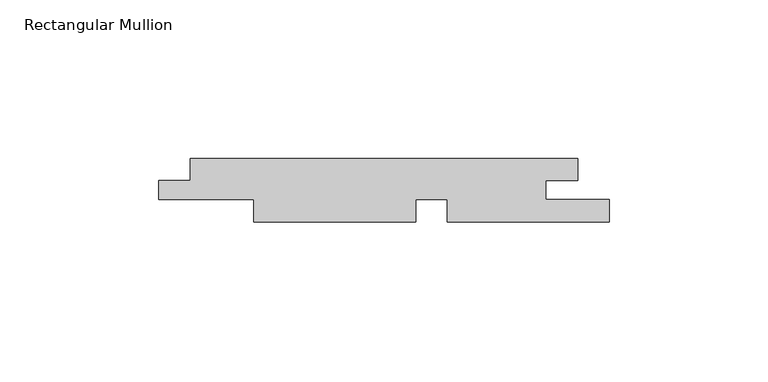
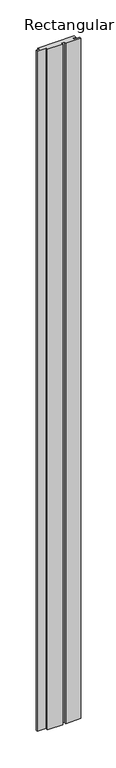
"""IFC4 building model written with IfcOpenShell, lengths in millimetres: member geometry, Rectangular Mullion."""

from ifc_helpers import new_model, si_unit, frame, origin, place, context, project, spatial, polyline, outline, extrude, source, transform, mapped, element, save


def rectangular_mullion_13048ab3(model_context):
    return source(origin(), model_context, "Body", "SweptSolid", [
        extrude(outline(polyline([(-142.0, -7.0), (-132.0288065, -7.0), (-132.0288065, 0.0), (-10.0, 0.0), (-10.0, -7.0), (-20.0, -7.0), (-20.0, -13.0), (0.0, -13.0), (0.0, -20.0), (-51.0288065, -20.0), (-51.0288065, -13.0), (-61.0288065, -13.0), (-61.0288065, -20.0), (-112.0288065, -20.0), (-112.0288065, -13.0), (-142.0, -13.0), (-142.0, -7.0)])), frame((0.0, 0.0, -2400.0), z_axis=(0.0, 0.0, 1.0), x_axis=(1.0, 0.0, 0.0)), (0.0, 0.0, 1.0), 2400.0),
    ])


if __name__ == "__main__":
    model = new_model("IFC4")
    model_context = context("Model", 3, world=origin())
    ifc_project = project(units=[si_unit("LENGTHUNIT", "METRE", prefix="MILLI")], contexts=[model_context])
    site = spatial("IfcSite", under=ifc_project)
    building = spatial("IfcBuilding", under=site)
    placement = place(None, origin())
    rectangular_mullion_shape = rectangular_mullion_13048ab3(model_context)
    element("IfcMember", 1, ObjectType="Rectangular Mullion", at=placement, inside=building, context=model_context, shape_type="MappedRepresentation", body=[
        mapped(rectangular_mullion_shape, transform((0.0, 0.0, 0.0), x_axis=(1.0, 0.0, 0.0), y_axis=(0.0, 1.0, 0.0), z_axis=(0.0, 0.0, 1.0))),
    ])
    save(model, "model.ifc")
